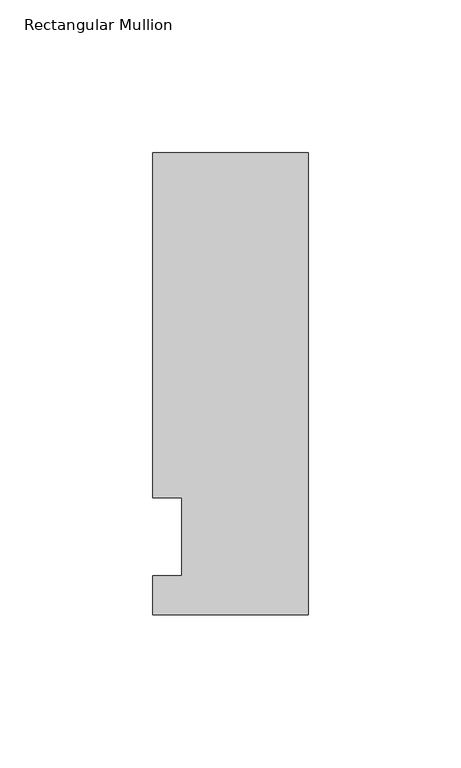
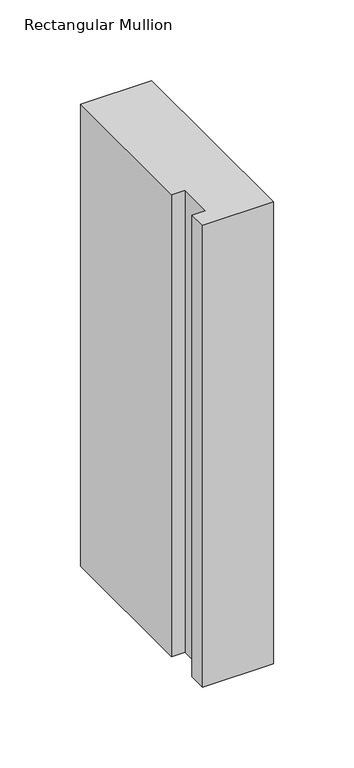
"""IFC4 building model written with IfcOpenShell, lengths in millimetres: member geometry, Rectangular Mullion."""

from ifc_helpers import new_model, si_unit, frame, origin, place, context, project, spatial, polyline, outline, extrude, source, transform, mapped, element, save


def rectangular_mullion_e86d5062(model_context):
    return source(origin(), model_context, "Body", "SweptSolid", [
        extrude(outline(polyline([(-50.8, -25.5984375), (-50.8, -12.7), (-41.275, -12.7), (-41.275, 12.7), (-50.8, 12.7), (-50.8, 125.6109375), (0.0, 125.6109375), (0.0, -25.5984375), (-50.8, -25.5984375)])), frame((0.0, 0.0, -349.25), z_axis=(0.0, 0.0, 1.0), x_axis=(1.0, 0.0, 0.0)), (0.0, 0.0, 1.0), 349.25),
    ])


if __name__ == "__main__":
    model = new_model("IFC4")
    model_context = context("Model", 3, world=origin())
    ifc_project = project(units=[si_unit("LENGTHUNIT", "METRE", prefix="MILLI")], contexts=[model_context])
    site = spatial("IfcSite", under=ifc_project)
    building = spatial("IfcBuilding", under=site)
    placement = place(None, origin())
    rectangular_mullion_shape = rectangular_mullion_e86d5062(model_context)
    element("IfcMember", 1, ObjectType="Rectangular Mullion", at=placement, inside=building, context=model_context, shape_type="MappedRepresentation", body=[
        mapped(rectangular_mullion_shape, transform((0.0, 0.0, 0.0), x_axis=(1.0, 0.0, 0.0), y_axis=(0.0, 1.0, 0.0), z_axis=(0.0, 0.0, 1.0))),
    ])
    save(model, "model.ifc")
